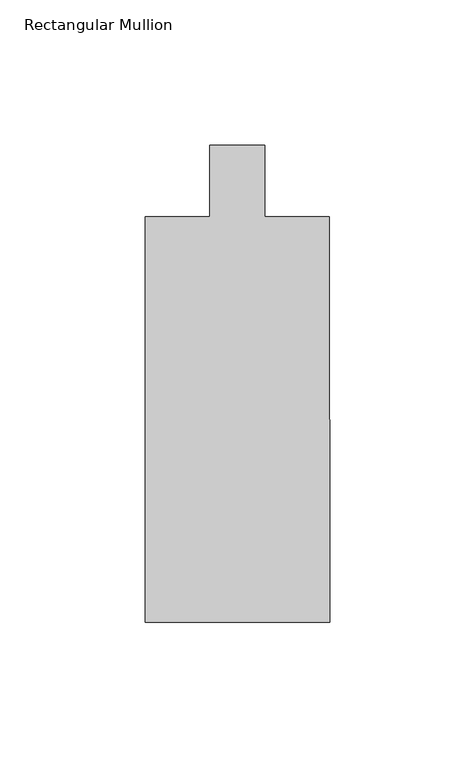
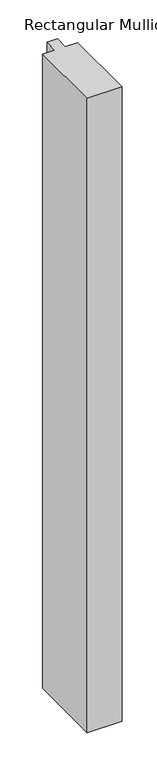
"""IFC4 building model written with IfcOpenShell, lengths in millimetres: member geometry, Rectangular Mullion."""

from ifc_helpers import new_model, si_unit, frame, origin, place, context, project, spatial, polyline, outline, extrude, source, transform, mapped, element, save


def rectangular_mullion_d1940767(model_context):
    return source(origin(), model_context, "Body", "SweptSolid", [
        extrude(outline(polyline([(-31.7499972, -152.4207037), (-31.7712455, -12.708303), (-9.5331524, -12.7049209), (-9.536898, 11.9234041), (9.5001216, 11.9262994), (9.5038667, -12.698558), (31.7287471, -12.6951779), (31.749996, -152.4110463), (-31.7499972, -152.4207037)])), frame((0.0, 0.0, -1219.2), z_axis=(0.0, 0.0, 1.0), x_axis=(1.0, 0.0, 0.0)), (0.0, 0.0, 1.0), 1219.2),
    ])


if __name__ == "__main__":
    model = new_model("IFC4")
    model_context = context("Model", 3, world=origin())
    ifc_project = project(units=[si_unit("LENGTHUNIT", "METRE", prefix="MILLI")], contexts=[model_context])
    site = spatial("IfcSite", under=ifc_project)
    building = spatial("IfcBuilding", under=site)
    placement = place(None, origin())
    rectangular_mullion_shape = rectangular_mullion_d1940767(model_context)
    element("IfcMember", 1, ObjectType="Rectangular Mullion", at=placement, inside=building, context=model_context, shape_type="MappedRepresentation", body=[
        mapped(rectangular_mullion_shape, transform((0.0, 0.0, 0.0), x_axis=(1.0, 0.0, 0.0), y_axis=(0.0, 1.0, 0.0), z_axis=(0.0, 0.0, 1.0))),
    ])
    save(model, "model.ifc")
